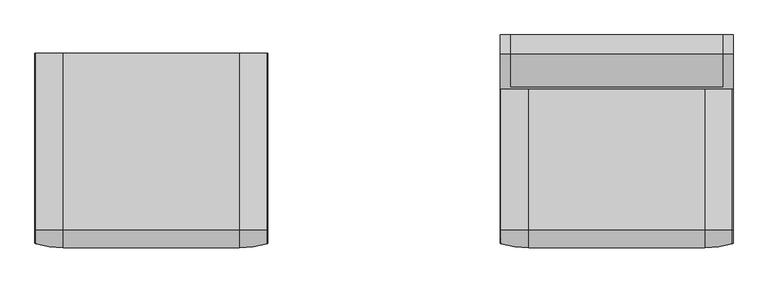
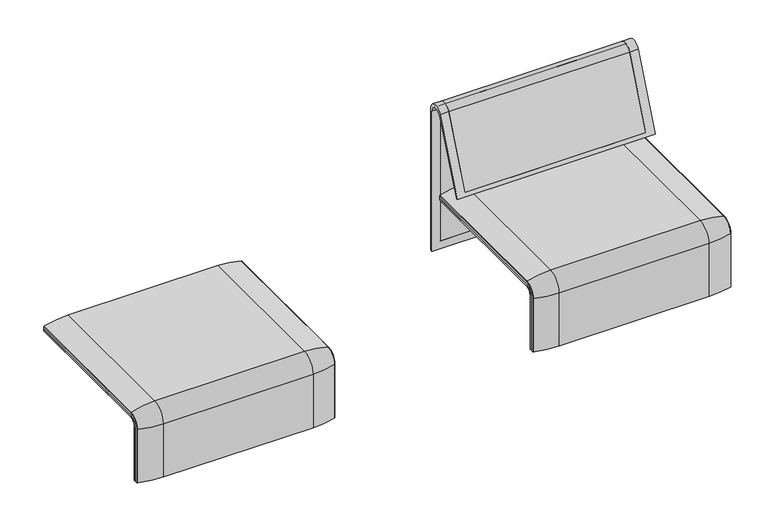
"""IFC4 building model written with IfcOpenShell, lengths in millimetres: furniture geometry."""

from ifc_helpers import new_model, si_unit, point, frame, frame_2d, origin, place, context, project, spatial, polyline, circle_curve, ellipse_curve, trimmed, segment, composite_curve, outline, extrude, source, transform, mapped, element, save
from ifc_brep_helpers import plane_surface, cylinder_surface, revolved_surface, advanced_brep


def furniture_a9e9cf03(model_context):
    return source(origin(), model_context, "Body", "SolidModel", [
        advanced_brep(
        [(-1223.9718733, 295.0, 359.922434), (-1223.9718733, -323.7517936, 359.922434), (-1223.9718733, -351.0, 332.6742277), (-1223.9718733, -351.0, 100.5089435), (-1223.9718733, -357.5, 100.5089435), (-1223.9718733, -357.5, 333.0583003), (-1223.9718733, -324.3858663, 366.172434), (-1223.9718733, 295.0, 366.172434), (-407.9906244, 295.0, 359.922434), (-407.9906244, 295.0, 366.172434), (-407.9906244, -324.3858663, 366.172434), (-407.9906244, -357.5, 333.0583003), (-407.9906244, -357.5, 100.5089435), (-407.9906244, -351.0, 100.5089435), (-407.9906244, -351.0, 332.6742277), (-407.9906244, -323.7517936, 359.922434), (-1189.0718733, -324.3858663, 366.172434), (-1189.0718733, 260.0, 366.172434), (-442.8906244, 260.0, 366.172434), (-442.8906244, -324.3858663, 366.172434), (-1189.0718733, -357.5, 333.0583003), (-442.8906244, -357.5, 333.0583003), (-442.8906244, -357.5, 135.3766997), (-1189.0718733, -357.5, 135.3766997), (-1189.0718733, -351.0, 332.6742277), (-1189.0718733, -351.0, 135.3766997), (-442.8906244, -351.0, 135.3766997), (-442.8906244, -351.0, 332.6742277), (-1189.0718733, -323.7517936, 359.922434), (-442.8906244, -323.7517936, 359.922434), (-442.8906244, 260.0, 359.922434), (-1189.0718733, 260.0, 359.922434)],
        [
            (0, 1),
            (1, 2, circle_curve(frame((-1223.9718733, -323.7517936, 332.6742277), z_axis=(1.0, 0.0, 0.0), x_axis=(0.0, -1.0, 0.0)), 27.2482064)),
            (2, 3),
            (3, 4),
            (4, 5),
            (5, 6, circle_curve(frame((-1223.9718733, -324.3858663, 333.0583003), z_axis=(-1.0, 0.0, 0.0), x_axis=(0.0, -1.0, 0.0)), 33.1141337)),
            (6, 7),
            (7, 0),
            (8, 9),
            (9, 10),
            (10, 11, circle_curve(frame((-407.9906244, -324.3858663, 333.0583003), z_axis=(1.0, 0.0, 0.0), x_axis=(0.0, -1.0, 0.0)), 33.1141337)),
            (11, 12),
            (12, 13),
            (13, 14),
            (14, 15, circle_curve(frame((-407.9906244, -323.7517936, 332.6742277), z_axis=(-1.0, 0.0, 0.0), x_axis=(0.0, -1.0, 0.0)), 27.2482064)),
            (15, 8),
            (7, 9),
            (8, 0),
            (6, 16),
            (16, 17),
            (17, 18),
            (18, 19),
            (19, 10),
            (5, 20),
            (20, 16, circle_curve(frame((-1189.0718733, -324.3858663, 333.0583003), z_axis=(-1.0, 0.0, 0.0), x_axis=(0.0, -1.0, 0.0)), 33.1141337)),
            (19, 21, circle_curve(frame((-442.8906244, -324.3858663, 333.0583003), z_axis=(1.0, 0.0, 0.0), x_axis=(0.0, -1.0, 0.0)), 33.1141337)),
            (21, 11),
            (4, 12),
            (21, 22),
            (22, 23),
            (23, 20),
            (3, 13),
            (2, 24),
            (24, 25),
            (25, 26),
            (26, 27),
            (27, 14),
            (1, 28),
            (28, 24, circle_curve(frame((-1189.0718733, -323.7517936, 332.6742277), z_axis=(1.0, 0.0, 0.0), x_axis=(0.0, -1.0, 0.0)), 27.2482064)),
            (27, 29, circle_curve(frame((-442.8906244, -323.7517936, 332.6742277), z_axis=(-1.0, 0.0, 0.0), x_axis=(0.0, -1.0, 0.0)), 27.2482064)),
            (29, 15),
            (29, 30),
            (30, 31),
            (31, 28),
            (31, 17),
            (23, 25),
            (26, 22),
            (18, 30),
        ],
        [
            plane_surface(frame((-1223.9718733, -296.9265415, 359.922434), z_axis=(-1.0, 0.0, 0.0), x_axis=(0.0, -1.0, 0.0))),
            plane_surface(frame((-407.9906244, -296.9265415, 359.922434), z_axis=(1.0, 0.0, 0.0), x_axis=(0.0, 1.0, 0.0))),
            plane_surface(frame((-1223.9718733, 295.0, 366.172434), z_axis=(0.0, 1.0, 0.0), x_axis=(1.0, 0.0, 0.0))),
            plane_surface(frame((-1223.9718733, -324.3858663, 366.172434), z_axis=(0.0, 0.0, 1.0), x_axis=(1.0, 0.0, 0.0))),
            cylinder_surface(frame((-407.9906244, -324.3858663, 333.0583003), z_axis=(-1.0, 0.0, 0.0), x_axis=(0.0, -1.0, 0.0)), 33.1141337),
            plane_surface(frame((-1223.9718733, -357.5, 100.5089435), z_axis=(0.0, -1.0, 0.0), x_axis=(1.0, 0.0, 0.0))),
            plane_surface(frame((-1223.9718733, -351.0, 100.5089435), z_axis=(0.0, 0.0, -1.0), x_axis=(1.0, 0.0, 0.0))),
            plane_surface(frame((-1223.9718733, -351.0, 332.6742277), z_axis=(0.0, 1.0, 0.0), x_axis=(1.0, 0.0, 0.0))),
            revolved_surface(polyline([(-1189.0718733, -351.0, 332.6742277), (-1223.9718733, -351.0, 332.6742277)]), (-407.9906244, -323.7517936, 332.6742277), (1.0, 0.0, 0.0)),
            revolved_surface(polyline([(-407.9906244, -351.0, 332.6742277), (-442.8906244, -351.0, 332.6742277)]), (-407.9906244, -323.7517936, 332.6742277), (1.0, 0.0, 0.0)),
            plane_surface(frame((-1223.9718733, 295.0, 359.922434), z_axis=(0.0, 0.0, -1.0), x_axis=(1.0, 0.0, 0.0))),
            plane_surface(frame((-1189.0718733, -296.9265415, 359.922434), z_axis=(1.0, 0.0, 0.0), x_axis=(0.0, -1.0, 0.0))),
            plane_surface(frame((-442.8906244, -296.9265415, 359.922434), z_axis=(-1.0, 0.0, 0.0), x_axis=(0.0, 1.0, 0.0))),
            plane_surface(frame((-1189.0718733, 260.0, 366.172434), z_axis=(0.0, -1.0, 0.0), x_axis=(1.0, 0.0, 0.0))),
            plane_surface(frame((-1189.0718733, -351.0, 135.3766997), z_axis=(0.0, 0.0, 1.0), x_axis=(1.0, 0.0, 0.0))),
        ],
        [
            (0, [[1, 2, 3, 4, 5, 6, 7, 8]]),
            (1, [[9, 10, 11, 12, 13, 14, 15, 16]]),
            (2, [[-8, 17, -9, 18]]),
            (3, [[-7, 19, 20, 21, 22, 23, -10, -17]]),
            (4, [[-6, 24, 25, -19]]),
            (4, [[-11, -23, 26, 27]]),
            (5, [[-5, 28, -12, -27, 29, 30, 31, -24]]),
            (6, [[-4, 32, -13, -28]]),
            (7, [[-3, 33, 34, 35, 36, 37, -14, -32]]),
            (8, [[-2, 38, 39, -33]]),
            (9, [[-15, -37, 40, 41]]),
            (10, [[-1, -18, -16, -41, 42, 43, 44, -38]]),
            (11, [[45, -20, -25, -31, 46, -34, -39, -44]]),
            (12, [[47, -29, -26, -22, 48, -42, -40, -36]]),
            (13, [[-45, -43, -48, -21]]),
            (14, [[-46, -30, -47, -35]]),
        ],
    ),
        extrude(outline(composite_curve([segment(polyline([(260.0, 359.922434), (-323.7517936, 359.922434)]), True, "CONTINUOUS"), segment(trimmed(circle_curve(frame_2d((-323.7517936, 332.6742277)), 27.2482064), [point((-323.7517936, 359.922434))], [point((-351.0, 332.6742277))], True, "CARTESIAN"), True, "CONTINUOUS"), segment(polyline([(-351.0, 332.6742277), (-351.0, 135.3766997), (-357.5, 135.3766997), (-357.5, 333.0583003)]), True, "CONTINUOUS"), segment(trimmed(circle_curve(frame_2d((-324.3858663, 333.0583003)), 33.1141337), [point((-357.5, 333.0583003))], [point((-324.3858663, 366.172434))], False, "CARTESIAN"), True, "CONTINUOUS"), segment(polyline([(-324.3858663, 366.172434), (260.0, 366.172434), (260.0, 359.922434)]), True, "CONTINUOUS")], self_intersect=False)), frame((-1189.0718733, 0.0, 0.0), z_axis=(1.0, 0.0, 0.0), x_axis=(0.0, 1.0, 0.0)), (0.0, 0.0, 1.0), 746.1812488),
        advanced_brep(
        [(-1223.9718733, -368.7793679, 100.5089435), (-1223.9718733, -357.5, 100.5089435), (-407.9906244, -357.5, 100.5089435), (-407.9906244, -368.7793679, 100.5089435), (-410.1292529, -371.6530483, 100.5089435), (-507.9906244, -386.0043559, 100.5089435), (-1123.9718733, -386.0043559, 100.5089435), (-1221.8332448, -371.6530483, 100.5089435), (-1223.9718733, 295.0, 377.4518019), (-1221.8332448, 295.0, 380.3254823), (-1123.9718733, 295.0, 394.67679), (-507.9906244, 295.0, 394.67679), (-410.1292529, 295.0, 380.3254823), (-407.9906244, 295.0, 377.4518019), (-407.9906244, 295.0, 366.172434), (-1223.9718733, 295.0, 366.172434), (-1223.9718733, -368.7793679, 333.0583003), (-1223.9718733, -324.3858663, 377.4518019), (-1223.9718733, -324.3858663, 366.172434), (-1223.9718733, -357.5, 333.0583003), (-407.9906244, -357.5, 333.0583003), (-507.9906244, -386.0043559, 333.0583003), (-1123.9718733, -386.0043559, 333.0583003), (-1221.8332448, -371.6530483, 333.0583003), (-407.9906244, -324.3858663, 366.172434), (-1123.9718733, -324.3858663, 394.67679), (-507.9906244, -324.3858663, 394.67679), (-1221.8332448, -324.3858663, 380.3254823), (-407.9906244, -324.3858663, 377.4518019), (-407.9906244, -368.7793679, 333.0583003), (-410.1292529, -371.6530483, 333.0583003), (-410.1292529, -324.3858663, 380.3254823)],
        [
            (0, 1),
            (1, 2),
            (2, 3),
            (3, 4, circle_curve(frame((-410.9906244, -368.7793679, 100.5089435), z_axis=(0.0, 0.0, -1.0), x_axis=(-1.0, 0.0, 0.0)), 3.0)),
            (4, 5, circle_curve(frame((-507.9906244, -45.1710226, 100.5089435), z_axis=(0.0, 0.0, -1.0), x_axis=(0.0, 1.0, 0.0)), 340.8333333)),
            (5, 6),
            (6, 7, circle_curve(frame((-1123.9718733, -45.1710226, 100.5089435), z_axis=(0.0, 0.0, -1.0), x_axis=(0.0, 1.0, 0.0)), 340.8333333)),
            (7, 0, circle_curve(frame((-1220.9718733, -368.7793679, 100.5089435), z_axis=(0.0, 0.0, -1.0), x_axis=(1.0, 0.0, 0.0)), 3.0)),
            (8, 9, circle_curve(frame((-1220.9718733, 295.0, 377.4518019), z_axis=(0.0, 1.0, 0.0), x_axis=(1.0, 0.0, 0.0)), 3.0)),
            (9, 10, circle_curve(frame((-1123.9718733, 295.0, 53.8434566), z_axis=(0.0, 1.0, 0.0), x_axis=(0.0, 0.0, -1.0)), 340.8333333)),
            (10, 11),
            (11, 12, circle_curve(frame((-507.9906244, 295.0, 53.8434566), z_axis=(0.0, 1.0, 0.0), x_axis=(0.0, 0.0, -1.0)), 340.8333333)),
            (12, 13, circle_curve(frame((-410.9906244, 295.0, 377.4518019), z_axis=(0.0, 1.0, 0.0), x_axis=(-1.0, 0.0, 0.0)), 3.0)),
            (13, 14),
            (14, 15),
            (15, 8),
            (0, 16),
            (16, 17, circle_curve(frame((-1223.9718733, -324.3858663, 333.0583003), z_axis=(-1.0, 0.0, 0.0), x_axis=(0.0, -1.0, 0.0)), 44.3935016)),
            (17, 8),
            (15, 18),
            (18, 19, circle_curve(frame((-1223.9718733, -324.3858663, 333.0583003), z_axis=(1.0, 0.0, 0.0), x_axis=(0.0, -1.0, 0.0)), 33.1141337)),
            (19, 1),
            (19, 20),
            (20, 2),
            (5, 21),
            (21, 22),
            (22, 6),
            (22, 23, circle_curve(frame((-1123.9718733, -45.1710226, 333.0583003), z_axis=(0.0, 0.0, -1.0), x_axis=(0.0, 1.0, 0.0)), 340.8333333)),
            (23, 7),
            (23, 16, circle_curve(frame((-1220.9718733, -368.7793679, 333.0583003), z_axis=(0.0, 0.0, -1.0), x_axis=(1.0, 0.0, 0.0)), 3.0)),
            (24, 20, circle_curve(frame((-407.9906244, -324.3858663, 333.0583003), z_axis=(1.0, 0.0, 0.0), x_axis=(0.0, -1.0, 0.0)), 33.1141337)),
            (18, 24),
            (25, 22, circle_curve(frame((-1123.9718733, -324.3858663, 333.0583003), z_axis=(1.0, 0.0, 0.0), x_axis=(0.0, -1.0, 0.0)), 61.6184897)),
            (21, 26, circle_curve(frame((-507.9906244, -324.3858663, 333.0583003), z_axis=(-1.0, 0.0, 0.0), x_axis=(0.0, -1.0, 0.0)), 61.6184897)),
            (26, 25),
            (27, 23, circle_curve(frame((-1221.8332448, -324.3858663, 333.0583003), z_axis=(1.0, 0.0, 0.0), x_axis=(0.0, -1.0, 0.0)), 47.267182)),
            (25, 27, circle_curve(frame((-1123.9718733, -324.3858663, 53.8434566), z_axis=(0.0, -1.0, 0.0), x_axis=(0.0, 0.0, -1.0)), 340.8333333)),
            (27, 17, circle_curve(frame((-1220.9718733, -324.3858663, 377.4518019), z_axis=(0.0, -1.0, 0.0), x_axis=(1.0, 0.0, 0.0)), 3.0)),
            (14, 24),
            (26, 11),
            (10, 25),
            (9, 27),
            (13, 28),
            (28, 29, circle_curve(frame((-407.9906244, -324.3858663, 333.0583003), z_axis=(1.0, 0.0, 0.0), x_axis=(0.0, -1.0, 0.0)), 44.3935016)),
            (29, 3),
            (29, 30, circle_curve(frame((-410.9906244, -368.7793679, 333.0583003), z_axis=(0.0, 0.0, -1.0), x_axis=(-1.0, 0.0, 0.0)), 3.0)),
            (30, 4),
            (30, 21, circle_curve(frame((-507.9906244, -45.1710226, 333.0583003), z_axis=(0.0, 0.0, -1.0), x_axis=(0.0, 1.0, 0.0)), 340.8333333)),
            (31, 30, circle_curve(frame((-410.1292529, -324.3858663, 333.0583003), z_axis=(1.0, 0.0, 0.0), x_axis=(0.0, -1.0, 0.0)), 47.267182)),
            (28, 31, circle_curve(frame((-410.9906244, -324.3858663, 377.4518019), z_axis=(0.0, -1.0, 0.0), x_axis=(-1.0, 0.0, 0.0)), 3.0)),
            (31, 26, circle_curve(frame((-507.9906244, -324.3858663, 53.8434566), z_axis=(0.0, -1.0, 0.0), x_axis=(0.0, 0.0, -1.0)), 340.8333333)),
            (12, 31),
        ],
        [
            plane_surface(frame((-1223.9718733, -357.5, 100.5089435), z_axis=(0.0, 0.0, -1.0), x_axis=(1.0, 0.0, 0.0))),
            plane_surface(frame((-1223.9718733, 295.0, 366.172434), z_axis=(0.0, 1.0, 0.0), x_axis=(1.0, 0.0, 0.0))),
            plane_surface(frame((-1223.9718733, -368.7793679, 100.5089435), z_axis=(-1.0, 0.0, 0.0), x_axis=(0.0, 0.0, 1.0))),
            plane_surface(frame((-1223.9718733, -357.5, 100.5089435), z_axis=(0.0, 1.0, 0.0), x_axis=(0.0, 0.0, 1.0))),
            plane_surface(frame((-507.9906244, -386.0043559, 100.5089435), z_axis=(0.0, -1.0, 0.0), x_axis=(0.0, 0.0, 1.0))),
            cylinder_surface(frame((-1123.9718733, -45.1710226, 100.5089435), z_axis=(0.0, 0.0, -1.0), x_axis=(0.0, 1.0, 0.0)), 340.8333333),
            cylinder_surface(frame((-1220.9718733, -368.7793679, 100.5089435), z_axis=(0.0, 0.0, -1.0), x_axis=(1.0, 0.0, 0.0)), 3.0),
            revolved_surface(polyline([(-1223.9718733, -357.5, 333.0583003), (-407.9906244, -357.5, 333.0583003)]), (-1223.9718733, -324.3858663, 333.0583003), (-1.0, 0.0, 0.0)),
            cylinder_surface(frame((-1223.9718733, -324.3858663, 333.0583003), z_axis=(-1.0, 0.0, 0.0), x_axis=(0.0, -1.0, 0.0)), 61.6184897),
            revolved_surface(trimmed(ellipse_curve(frame((-1123.9718733, -45.1710226, 333.0583003), z_axis=(0.0, 0.0, -1.0), x_axis=(0.0, 1.0, 0.0)), 340.8333333, 340.8333333), [point((-1123.9718733, -386.0043559, 333.0583003))], [point((-1221.8332448, -371.6530483, 333.0583003))], True, "CARTESIAN"), (-1223.9718733, -324.3858663, 333.0583003), (-1.0, 0.0, 0.0)),
            revolved_surface(trimmed(ellipse_curve(frame((-1220.9718733, -368.7793679, 333.0583003), z_axis=(0.0, 0.0, -1.0), x_axis=(1.0, 0.0, 0.0)), 3.0, 3.0), [point((-1221.8332448, -371.6530483, 333.0583003))], [point((-1223.9718733, -368.7793679, 333.0583003))], True, "CARTESIAN"), (-1223.9718733, -324.3858663, 333.0583003), (-1.0, 0.0, 0.0)),
            plane_surface(frame((-1223.9718733, -324.3858663, 366.172434), z_axis=(0.0, 0.0, -1.0), x_axis=(0.0, 1.0, 0.0))),
            plane_surface(frame((-507.9906244, -324.3858663, 394.67679), z_axis=(0.0, 0.0, 1.0), x_axis=(0.0, 1.0, 0.0))),
            cylinder_surface(frame((-1123.9718733, -324.3858663, 53.8434566), z_axis=(0.0, -1.0, 0.0), x_axis=(0.0, 0.0, -1.0)), 340.8333333),
            cylinder_surface(frame((-1220.9718733, -324.3858663, 377.4518019), z_axis=(0.0, -1.0, 0.0), x_axis=(1.0, 0.0, 0.0)), 3.0),
            plane_surface(frame((-407.9906244, -357.5, 100.5089435), z_axis=(1.0, 0.0, 0.0), x_axis=(0.0, 0.0, 1.0))),
            cylinder_surface(frame((-410.9906244, -368.7793679, 100.5089435), z_axis=(0.0, 0.0, -1.0), x_axis=(-1.0, 0.0, 0.0)), 3.0),
            cylinder_surface(frame((-507.9906244, -45.1710226, 100.5089435), z_axis=(0.0, 0.0, -1.0), x_axis=(0.0, 1.0, 0.0)), 340.8333333),
            revolved_surface(trimmed(ellipse_curve(frame((-410.9906244, -368.7793679, 333.0583003), z_axis=(0.0, 0.0, -1.0), x_axis=(-1.0, 0.0, 0.0)), 3.0, 3.0), [point((-407.9906244, -368.7793679, 333.0583003))], [point((-410.1292529, -371.6530483, 333.0583003))], True, "CARTESIAN"), (-1223.9718733, -324.3858663, 333.0583003), (-1.0, 0.0, 0.0)),
            revolved_surface(trimmed(ellipse_curve(frame((-507.9906244, -45.1710226, 333.0583003), z_axis=(0.0, 0.0, -1.0), x_axis=(0.0, 1.0, 0.0)), 340.8333333, 340.8333333), [point((-410.1292529, -371.6530483, 333.0583003))], [point((-507.9906244, -386.0043559, 333.0583003))], True, "CARTESIAN"), (-1223.9718733, -324.3858663, 333.0583003), (-1.0, 0.0, 0.0)),
            cylinder_surface(frame((-410.9906244, -324.3858663, 377.4518019), z_axis=(0.0, -1.0, 0.0), x_axis=(-1.0, 0.0, 0.0)), 3.0),
            cylinder_surface(frame((-507.9906244, -324.3858663, 53.8434566), z_axis=(0.0, -1.0, 0.0), x_axis=(0.0, 0.0, -1.0)), 340.8333333),
        ],
        [
            (0, [[1, 2, 3, 4, 5, 6, 7, 8]]),
            (1, [[9, 10, 11, 12, 13, 14, 15, 16]]),
            (2, [[-1, 17, 18, 19, -16, 20, 21, 22]]),
            (3, [[-2, -22, 23, 24]]),
            (4, [[-6, 25, 26, 27]]),
            (5, [[-7, -27, 28, 29]]),
            (6, [[-8, -29, 30, -17]]),
            (7, [[31, -23, -21, 32]]),
            (8, [[33, -26, 34, 35]]),
            (9, [[36, -28, -33, 37]]),
            (10, [[-18, -30, -36, 38]]),
            (11, [[-32, -20, -15, 39]]),
            (12, [[-35, 40, -11, 41]]),
            (13, [[-37, -41, -10, 42]]),
            (14, [[-38, -42, -9, -19]]),
            (15, [[-3, -24, -31, -39, -14, 43, 44, 45]]),
            (16, [[-4, -45, 46, 47]]),
            (17, [[-5, -47, 48, -25]]),
            (18, [[49, -46, -44, 50]]),
            (19, [[-34, -48, -49, 51]]),
            (20, [[-50, -43, -13, 52]]),
            (21, [[-51, -52, -12, -40]]),
        ],
    ),
        advanced_brep(
        [(407.9906244, 295.0, 359.922434), (407.9906244, -323.7517936, 359.922434), (407.9906244, -351.0, 332.6742277), (407.9906244, -351.0, 100.5089435), (407.9906244, -357.5, 100.5089435), (407.9906244, -357.5, 333.0583003), (407.9906244, -324.3858663, 366.172434), (407.9906244, 295.0, 366.172434), (1223.9718733, 295.0, 359.922434), (1223.9718733, 295.0, 366.172434), (1223.9718733, -324.3858663, 366.172434), (1223.9718733, -357.5, 333.0583003), (1223.9718733, -357.5, 100.5089435), (1223.9718733, -351.0, 100.5089435), (1223.9718733, -351.0, 332.6742277), (1223.9718733, -323.7517936, 359.922434), (442.8906244, -324.3858663, 366.172434), (442.8906244, 260.0, 366.172434), (1189.0718733, 260.0, 366.172434), (1189.0718733, -324.3858663, 366.172434), (442.8906244, -357.5, 333.0583003), (1189.0718733, -357.5, 333.0583003), (1189.0718733, -357.5, 135.3766997), (442.8906244, -357.5, 135.3766997), (442.8906244, -351.0, 332.6742277), (442.8906244, -351.0, 135.3766997), (1189.0718733, -351.0, 135.3766997), (1189.0718733, -351.0, 332.6742277), (442.8906244, -323.7517936, 359.922434), (1189.0718733, -323.7517936, 359.922434), (1189.0718733, 260.0, 359.922434), (442.8906244, 260.0, 359.922434)],
        [
            (0, 1),
            (1, 2, circle_curve(frame((407.9906244, -323.7517936, 332.6742277), z_axis=(1.0, 0.0, 0.0), x_axis=(0.0, -1.0, 0.0)), 27.2482064)),
            (2, 3),
            (3, 4),
            (4, 5),
            (5, 6, circle_curve(frame((407.9906244, -324.3858663, 333.0583003), z_axis=(-1.0, 0.0, 0.0), x_axis=(0.0, -1.0, 0.0)), 33.1141337)),
            (6, 7),
            (7, 0),
            (8, 9),
            (9, 10),
            (10, 11, circle_curve(frame((1223.9718733, -324.3858663, 333.0583003), z_axis=(1.0, 0.0, 0.0), x_axis=(0.0, -1.0, 0.0)), 33.1141337)),
            (11, 12),
            (12, 13),
            (13, 14),
            (14, 15, circle_curve(frame((1223.9718733, -323.7517936, 332.6742277), z_axis=(-1.0, 0.0, 0.0), x_axis=(0.0, -1.0, 0.0)), 27.2482064)),
            (15, 8),
            (7, 9),
            (8, 0),
            (6, 16),
            (16, 17),
            (17, 18),
            (18, 19),
            (19, 10),
            (5, 20),
            (20, 16, circle_curve(frame((442.8906244, -324.3858663, 333.0583003), z_axis=(-1.0, 0.0, 0.0), x_axis=(0.0, -1.0, 0.0)), 33.1141337)),
            (19, 21, circle_curve(frame((1189.0718733, -324.3858663, 333.0583003), z_axis=(1.0, 0.0, 0.0), x_axis=(0.0, -1.0, 0.0)), 33.1141337)),
            (21, 11),
            (4, 12),
            (21, 22),
            (22, 23),
            (23, 20),
            (3, 13),
            (2, 24),
            (24, 25),
            (25, 26),
            (26, 27),
            (27, 14),
            (1, 28),
            (28, 24, circle_curve(frame((442.8906244, -323.7517936, 332.6742277), z_axis=(1.0, 0.0, 0.0), x_axis=(0.0, -1.0, 0.0)), 27.2482064)),
            (27, 29, circle_curve(frame((1189.0718733, -323.7517936, 332.6742277), z_axis=(-1.0, 0.0, 0.0), x_axis=(0.0, -1.0, 0.0)), 27.2482064)),
            (29, 15),
            (29, 30),
            (30, 31),
            (31, 28),
            (31, 17),
            (23, 25),
            (26, 22),
            (18, 30),
        ],
        [
            plane_surface(frame((407.9906244, -296.9265415, 359.922434), z_axis=(-1.0, 0.0, 0.0), x_axis=(0.0, -1.0, 0.0))),
            plane_surface(frame((1223.9718733, -296.9265415, 359.922434), z_axis=(1.0, 0.0, 0.0), x_axis=(0.0, 1.0, 0.0))),
            plane_surface(frame((407.9906244, 295.0, 366.172434), z_axis=(0.0, 1.0, 0.0), x_axis=(1.0, 0.0, 0.0))),
            plane_surface(frame((407.9906244, -324.3858663, 366.172434), z_axis=(0.0, 0.0, 1.0), x_axis=(1.0, 0.0, 0.0))),
            cylinder_surface(frame((1223.9718733, -324.3858663, 333.0583003), z_axis=(-1.0, 0.0, 0.0), x_axis=(0.0, -1.0, 0.0)), 33.1141337),
            plane_surface(frame((407.9906244, -357.5, 100.5089435), z_axis=(0.0, -1.0, 0.0), x_axis=(1.0, 0.0, 0.0))),
            plane_surface(frame((407.9906244, -351.0, 100.5089435), z_axis=(0.0, 0.0, -1.0), x_axis=(1.0, 0.0, 0.0))),
            plane_surface(frame((407.9906244, -351.0, 332.6742277), z_axis=(0.0, 1.0, 0.0), x_axis=(1.0, 0.0, 0.0))),
            revolved_surface(polyline([(442.8906244, -351.0, 332.6742277), (407.9906244, -351.0, 332.6742277)]), (1223.9718733, -323.7517936, 332.6742277), (1.0, 0.0, 0.0)),
            revolved_surface(polyline([(1223.9718733, -351.0, 332.6742277), (1189.0718733, -351.0, 332.6742277)]), (1223.9718733, -323.7517936, 332.6742277), (1.0, 0.0, 0.0)),
            plane_surface(frame((407.9906244, 295.0, 359.922434), z_axis=(0.0, 0.0, -1.0), x_axis=(1.0, 0.0, 0.0))),
            plane_surface(frame((442.8906244, -296.9265415, 359.922434), z_axis=(1.0, 0.0, 0.0), x_axis=(0.0, -1.0, 0.0))),
            plane_surface(frame((1189.0718733, -296.9265415, 359.922434), z_axis=(-1.0, 0.0, 0.0), x_axis=(0.0, 1.0, 0.0))),
            plane_surface(frame((442.8906244, 260.0, 366.172434), z_axis=(0.0, -1.0, 0.0), x_axis=(1.0, 0.0, 0.0))),
            plane_surface(frame((442.8906244, -351.0, 135.3766997), z_axis=(0.0, 0.0, 1.0), x_axis=(1.0, 0.0, 0.0))),
        ],
        [
            (0, [[1, 2, 3, 4, 5, 6, 7, 8]]),
            (1, [[9, 10, 11, 12, 13, 14, 15, 16]]),
            (2, [[-8, 17, -9, 18]]),
            (3, [[-7, 19, 20, 21, 22, 23, -10, -17]]),
            (4, [[-6, 24, 25, -19]]),
            (4, [[-11, -23, 26, 27]]),
            (5, [[-5, 28, -12, -27, 29, 30, 31, -24]]),
            (6, [[-4, 32, -13, -28]]),
            (7, [[-3, 33, 34, 35, 36, 37, -14, -32]]),
            (8, [[-2, 38, 39, -33]]),
            (9, [[-15, -37, 40, 41]]),
            (10, [[-1, -18, -16, -41, 42, 43, 44, -38]]),
            (11, [[45, -20, -25, -31, 46, -34, -39, -44]]),
            (12, [[47, -29, -26, -22, 48, -42, -40, -36]]),
            (13, [[-45, -43, -48, -21]]),
            (14, [[-46, -30, -47, -35]]),
        ],
    ),
        extrude(outline(composite_curve([segment(polyline([(260.0, 359.922434), (-323.7517936, 359.922434)]), True, "CONTINUOUS"), segment(trimmed(circle_curve(frame_2d((-323.7517936, 332.6742277)), 27.2482064), [point((-323.7517936, 359.922434))], [point((-351.0, 332.6742277))], True, "CARTESIAN"), True, "CONTINUOUS"), segment(polyline([(-351.0, 332.6742277), (-351.0, 135.3766997), (-357.5, 135.3766997), (-357.5, 333.0583003)]), True, "CONTINUOUS"), segment(trimmed(circle_curve(frame_2d((-324.3858663, 333.0583003)), 33.1141337), [point((-357.5, 333.0583003))], [point((-324.3858663, 366.172434))], False, "CARTESIAN"), True, "CONTINUOUS"), segment(polyline([(-324.3858663, 366.172434), (260.0, 366.172434), (260.0, 359.922434)]), True, "CONTINUOUS")], self_intersect=False)), frame((442.8906244, 0.0, 0.0), z_axis=(1.0, 0.0, 0.0), x_axis=(0.0, 1.0, 0.0)), (0.0, 0.0, 1.0), 746.1812488),
        advanced_brep(
        [(407.9906244, -368.7793679, 100.5089435), (407.9906244, -357.5, 100.5089435), (1223.9718733, -357.5, 100.5089435), (1223.9718733, -368.7793679, 100.5089435), (1221.8332448, -371.6530483, 100.5089435), (1123.9718733, -386.0043559, 100.5089435), (507.9906244, -386.0043559, 100.5089435), (410.1292529, -371.6530483, 100.5089435), (407.9906244, 295.0, 377.4518019), (410.1292529, 295.0, 380.3254823), (507.9906244, 295.0, 394.67679), (1123.9718733, 295.0, 394.67679), (1221.8332448, 295.0, 380.3254823), (1223.9718733, 295.0, 377.4518019), (1223.9718733, 295.0, 366.172434), (407.9906244, 295.0, 366.172434), (407.9906244, -368.7793679, 333.0583003), (407.9906244, -324.3858663, 377.4518019), (407.9906244, -324.3858663, 366.172434), (407.9906244, -357.5, 333.0583003), (1223.9718733, -357.5, 333.0583003), (1123.9718733, -386.0043559, 333.0583003), (507.9906244, -386.0043559, 333.0583003), (410.1292529, -371.6530483, 333.0583003), (1223.9718733, -324.3858663, 366.172434), (507.9906244, -324.3858663, 394.67679), (1123.9718733, -324.3858663, 394.67679), (410.1292529, -324.3858663, 380.3254823), (1223.9718733, -324.3858663, 377.4518019), (1223.9718733, -368.7793679, 333.0583003), (1221.8332448, -371.6530483, 333.0583003), (1221.8332448, -324.3858663, 380.3254823)],
        [
            (0, 1),
            (1, 2),
            (2, 3),
            (3, 4, circle_curve(frame((1220.9718733, -368.7793679, 100.5089435), z_axis=(0.0, 0.0, -1.0), x_axis=(-1.0, 0.0, 0.0)), 3.0)),
            (4, 5, circle_curve(frame((1123.9718733, -45.1710226, 100.5089435), z_axis=(0.0, 0.0, -1.0), x_axis=(0.0, 1.0, 0.0)), 340.8333333)),
            (5, 6),
            (6, 7, circle_curve(frame((507.9906244, -45.1710226, 100.5089435), z_axis=(0.0, 0.0, -1.0), x_axis=(0.0, 1.0, 0.0)), 340.8333333)),
            (7, 0, circle_curve(frame((410.9906244, -368.7793679, 100.5089435), z_axis=(0.0, 0.0, -1.0), x_axis=(1.0, 0.0, 0.0)), 3.0)),
            (8, 9, circle_curve(frame((410.9906244, 295.0, 377.4518019), z_axis=(0.0, 1.0, 0.0), x_axis=(1.0, 0.0, 0.0)), 3.0)),
            (9, 10, circle_curve(frame((507.9906244, 295.0, 53.8434566), z_axis=(0.0, 1.0, 0.0), x_axis=(0.0, 0.0, -1.0)), 340.8333333)),
            (10, 11),
            (11, 12, circle_curve(frame((1123.9718733, 295.0, 53.8434566), z_axis=(0.0, 1.0, 0.0), x_axis=(0.0, 0.0, -1.0)), 340.8333333)),
            (12, 13, circle_curve(frame((1220.9718733, 295.0, 377.4518019), z_axis=(0.0, 1.0, 0.0), x_axis=(-1.0, 0.0, 0.0)), 3.0)),
            (13, 14),
            (14, 15),
            (15, 8),
            (0, 16),
            (16, 17, circle_curve(frame((407.9906244, -324.3858663, 333.0583003), z_axis=(-1.0, 0.0, 0.0), x_axis=(0.0, -1.0, 0.0)), 44.3935016)),
            (17, 8),
            (15, 18),
            (18, 19, circle_curve(frame((407.9906244, -324.3858663, 333.0583003), z_axis=(1.0, 0.0, 0.0), x_axis=(0.0, -1.0, 0.0)), 33.1141337)),
            (19, 1),
            (19, 20),
            (20, 2),
            (5, 21),
            (21, 22),
            (22, 6),
            (22, 23, circle_curve(frame((507.9906244, -45.1710226, 333.0583003), z_axis=(0.0, 0.0, -1.0), x_axis=(0.0, 1.0, 0.0)), 340.8333333)),
            (23, 7),
            (23, 16, circle_curve(frame((410.9906244, -368.7793679, 333.0583003), z_axis=(0.0, 0.0, -1.0), x_axis=(1.0, 0.0, 0.0)), 3.0)),
            (24, 20, circle_curve(frame((1223.9718733, -324.3858663, 333.0583003), z_axis=(1.0, 0.0, 0.0), x_axis=(0.0, -1.0, 0.0)), 33.1141337)),
            (18, 24),
            (25, 22, circle_curve(frame((507.9906244, -324.3858663, 333.0583003), z_axis=(1.0, 0.0, 0.0), x_axis=(0.0, -1.0, 0.0)), 61.6184897)),
            (21, 26, circle_curve(frame((1123.9718733, -324.3858663, 333.0583003), z_axis=(-1.0, 0.0, 0.0), x_axis=(0.0, -1.0, 0.0)), 61.6184897)),
            (26, 25),
            (27, 23, circle_curve(frame((410.1292529, -324.3858663, 333.0583003), z_axis=(1.0, 0.0, 0.0), x_axis=(0.0, -1.0, 0.0)), 47.267182)),
            (25, 27, circle_curve(frame((507.9906244, -324.3858663, 53.8434566), z_axis=(0.0, -1.0, 0.0), x_axis=(0.0, 0.0, -1.0)), 340.8333333)),
            (27, 17, circle_curve(frame((410.9906244, -324.3858663, 377.4518019), z_axis=(0.0, -1.0, 0.0), x_axis=(1.0, 0.0, 0.0)), 3.0)),
            (14, 24),
            (26, 11),
            (10, 25),
            (9, 27),
            (13, 28),
            (28, 29, circle_curve(frame((1223.9718733, -324.3858663, 333.0583003), z_axis=(1.0, 0.0, 0.0), x_axis=(0.0, -1.0, 0.0)), 44.3935016)),
            (29, 3),
            (29, 30, circle_curve(frame((1220.9718733, -368.7793679, 333.0583003), z_axis=(0.0, 0.0, -1.0), x_axis=(-1.0, 0.0, 0.0)), 3.0)),
            (30, 4),
            (30, 21, circle_curve(frame((1123.9718733, -45.1710226, 333.0583003), z_axis=(0.0, 0.0, -1.0), x_axis=(0.0, 1.0, 0.0)), 340.8333333)),
            (31, 30, circle_curve(frame((1221.8332448, -324.3858663, 333.0583003), z_axis=(1.0, 0.0, 0.0), x_axis=(0.0, -1.0, 0.0)), 47.267182)),
            (28, 31, circle_curve(frame((1220.9718733, -324.3858663, 377.4518019), z_axis=(0.0, -1.0, 0.0), x_axis=(-1.0, 0.0, 0.0)), 3.0)),
            (31, 26, circle_curve(frame((1123.9718733, -324.3858663, 53.8434566), z_axis=(0.0, -1.0, 0.0), x_axis=(0.0, 0.0, -1.0)), 340.8333333)),
            (12, 31),
        ],
        [
            plane_surface(frame((407.9906244, -357.5, 100.5089435), z_axis=(0.0, 0.0, -1.0), x_axis=(1.0, 0.0, 0.0))),
            plane_surface(frame((407.9906244, 295.0, 366.172434), z_axis=(0.0, 1.0, 0.0), x_axis=(1.0, 0.0, 0.0))),
            plane_surface(frame((407.9906244, -368.7793679, 100.5089435), z_axis=(-1.0, 0.0, 0.0), x_axis=(0.0, 0.0, 1.0))),
            plane_surface(frame((407.9906244, -357.5, 100.5089435), z_axis=(0.0, 1.0, 0.0), x_axis=(0.0, 0.0, 1.0))),
            plane_surface(frame((1123.9718733, -386.0043559, 100.5089435), z_axis=(0.0, -1.0, 0.0), x_axis=(0.0, 0.0, 1.0))),
            cylinder_surface(frame((507.9906244, -45.1710226, 100.5089435), z_axis=(0.0, 0.0, -1.0), x_axis=(0.0, 1.0, 0.0)), 340.8333333),
            cylinder_surface(frame((410.9906244, -368.7793679, 100.5089435), z_axis=(0.0, 0.0, -1.0), x_axis=(1.0, 0.0, 0.0)), 3.0),
            revolved_surface(polyline([(407.9906244, -357.5, 333.0583003), (1223.9718733, -357.5, 333.0583003)]), (407.9906244, -324.3858663, 333.0583003), (-1.0, 0.0, 0.0)),
            cylinder_surface(frame((407.9906244, -324.3858663, 333.0583003), z_axis=(-1.0, 0.0, 0.0), x_axis=(0.0, -1.0, 0.0)), 61.6184897),
            revolved_surface(trimmed(ellipse_curve(frame((507.9906244, -45.1710226, 333.0583003), z_axis=(0.0, 0.0, -1.0), x_axis=(0.0, 1.0, 0.0)), 340.8333333, 340.8333333), [point((507.9906244, -386.0043559, 333.0583003))], [point((410.1292529, -371.6530483, 333.0583003))], True, "CARTESIAN"), (407.9906244, -324.3858663, 333.0583003), (-1.0, 0.0, 0.0)),
            revolved_surface(trimmed(ellipse_curve(frame((410.9906244, -368.7793679, 333.0583003), z_axis=(0.0, 0.0, -1.0), x_axis=(1.0, 0.0, 0.0)), 3.0, 3.0), [point((410.1292529, -371.6530483, 333.0583003))], [point((407.9906244, -368.7793679, 333.0583003))], True, "CARTESIAN"), (407.9906244, -324.3858663, 333.0583003), (-1.0, 0.0, 0.0)),
            plane_surface(frame((407.9906244, -324.3858663, 366.172434), z_axis=(0.0, 0.0, -1.0), x_axis=(0.0, 1.0, 0.0))),
            plane_surface(frame((1123.9718733, -324.3858663, 394.67679), z_axis=(0.0, 0.0, 1.0), x_axis=(0.0, 1.0, 0.0))),
            cylinder_surface(frame((507.9906244, -324.3858663, 53.8434566), z_axis=(0.0, -1.0, 0.0), x_axis=(0.0, 0.0, -1.0)), 340.8333333),
            cylinder_surface(frame((410.9906244, -324.3858663, 377.4518019), z_axis=(0.0, -1.0, 0.0), x_axis=(1.0, 0.0, 0.0)), 3.0),
            plane_surface(frame((1223.9718733, -357.5, 100.5089435), z_axis=(1.0, 0.0, 0.0), x_axis=(0.0, 0.0, 1.0))),
            cylinder_surface(frame((1220.9718733, -368.7793679, 100.5089435), z_axis=(0.0, 0.0, -1.0), x_axis=(-1.0, 0.0, 0.0)), 3.0),
            cylinder_surface(frame((1123.9718733, -45.1710226, 100.5089435), z_axis=(0.0, 0.0, -1.0), x_axis=(0.0, 1.0, 0.0)), 340.8333333),
            revolved_surface(trimmed(ellipse_curve(frame((1220.9718733, -368.7793679, 333.0583003), z_axis=(0.0, 0.0, -1.0), x_axis=(-1.0, 0.0, 0.0)), 3.0, 3.0), [point((1223.9718733, -368.7793679, 333.0583003))], [point((1221.8332448, -371.6530483, 333.0583003))], True, "CARTESIAN"), (407.9906244, -324.3858663, 333.0583003), (-1.0, 0.0, 0.0)),
            revolved_surface(trimmed(ellipse_curve(frame((1123.9718733, -45.1710226, 333.0583003), z_axis=(0.0, 0.0, -1.0), x_axis=(0.0, 1.0, 0.0)), 340.8333333, 340.8333333), [point((1221.8332448, -371.6530483, 333.0583003))], [point((1123.9718733, -386.0043559, 333.0583003))], True, "CARTESIAN"), (407.9906244, -324.3858663, 333.0583003), (-1.0, 0.0, 0.0)),
            cylinder_surface(frame((1220.9718733, -324.3858663, 377.4518019), z_axis=(0.0, -1.0, 0.0), x_axis=(-1.0, 0.0, 0.0)), 3.0),
            cylinder_surface(frame((1123.9718733, -324.3858663, 53.8434566), z_axis=(0.0, -1.0, 0.0), x_axis=(0.0, 0.0, -1.0)), 340.8333333),
        ],
        [
            (0, [[1, 2, 3, 4, 5, 6, 7, 8]]),
            (1, [[9, 10, 11, 12, 13, 14, 15, 16]]),
            (2, [[-1, 17, 18, 19, -16, 20, 21, 22]]),
            (3, [[-2, -22, 23, 24]]),
            (4, [[-6, 25, 26, 27]]),
            (5, [[-7, -27, 28, 29]]),
            (6, [[-8, -29, 30, -17]]),
            (7, [[31, -23, -21, 32]]),
            (8, [[33, -26, 34, 35]]),
            (9, [[36, -28, -33, 37]]),
            (10, [[-18, -30, -36, 38]]),
            (11, [[-32, -20, -15, 39]]),
            (12, [[-35, 40, -11, 41]]),
            (13, [[-37, -41, -10, 42]]),
            (14, [[-38, -42, -9, -19]]),
            (15, [[-3, -24, -31, -39, -14, 43, 44, 45]]),
            (16, [[-4, -45, 46, 47]]),
            (17, [[-5, -47, 48, -25]]),
            (18, [[49, -46, -44, 50]]),
            (19, [[-34, -48, -49, 51]]),
            (20, [[-50, -43, -13, 52]]),
            (21, [[-51, -52, -12, -40]]),
        ],
    ),
        advanced_brep(
        [(1189.1049615, 176.0980387, 452.25948), (1189.1049615, 181.0136548, 450.2250668), (442.9237127, 181.0136548, 450.2250668), (442.9237127, 176.0980387, 452.25948), (1224.0215056, 351.0000061, 101.8476716), (1224.0215056, 351.0000061, 712.9272623), (1189.1049615, 351.0000061, 712.9272623), (1189.1049615, 351.0000061, 135.3766997), (442.9237127, 351.0000061, 135.3766997), (442.9237127, 351.0000061, 712.9272623), (408.0402568, 351.0000061, 712.9272623), (408.0402568, 351.0000061, 101.8476716), (1224.0215056, 359.7858817, 101.8476716), (1224.0215056, 359.7858817, 720.3417731), (1224.0215056, 292.4403877, 733.7122262), (1224.0215056, 170.1966807, 437.98305), (1224.0215056, 175.0204081, 435.9866665), (1224.0215056, 296.2458652, 723.9869215), (408.0402568, 296.2720241, 723.9759107), (408.0402568, 175.0204081, 435.9866665), (408.0402568, 170.1966807, 437.98305), (408.0402568, 292.4403877, 733.7122262), (408.0402568, 359.7858817, 720.3417731), (408.0402568, 359.7858817, 101.8476716), (1189.1049615, 292.4403877, 733.7122262), (442.9237127, 292.4403877, 733.7122262), (442.9237127, 296.2458652, 723.9869215), (1189.1049615, 296.2458652, 723.9869215), (442.9237127, 359.7858817, 720.3417731), (442.9237127, 359.7858817, 135.3766997), (1189.1049615, 359.7858817, 135.3766997), (1189.1049615, 359.7858817, 720.3417731)],
        [
            (0, 1),
            (1, 2),
            (2, 3),
            (3, 0),
            (4, 5),
            (5, 6),
            (6, 7),
            (7, 8),
            (8, 9),
            (9, 10),
            (10, 11),
            (11, 4),
            (4, 12),
            (12, 13),
            (13, 14, circle_curve(frame((1224.0215056, 324.7858817, 720.3417731), z_axis=(1.0, 0.0, 0.0), x_axis=(0.0, -1.0, 0.0)), 35.0)),
            (14, 15),
            (15, 16),
            (16, 17),
            (17, 5, circle_curve(frame((1224.0215056, 322.520748, 712.9272623), z_axis=(-1.0, 0.0, 0.0), x_axis=(0.0, -1.0, 0.0)), 28.479258)),
            (10, 18, circle_curve(frame((408.0402568, 322.520748, 712.9272623), z_axis=(1.0, 0.0, 0.0), x_axis=(0.0, -1.0, 0.0)), 28.479258)),
            (18, 19),
            (19, 20),
            (20, 21),
            (21, 22, circle_curve(frame((408.0402568, 324.7858817, 720.3417731), z_axis=(-1.0, 0.0, 0.0), x_axis=(0.0, -1.0, 0.0)), 35.0)),
            (22, 23),
            (23, 11),
            (14, 24),
            (24, 0),
            (3, 25),
            (25, 21),
            (20, 15),
            (19, 16),
            (18, 26),
            (26, 2),
            (1, 27),
            (27, 17),
            (23, 12),
            (22, 28),
            (28, 29),
            (29, 30),
            (30, 31),
            (31, 13),
            (31, 24, circle_curve(frame((1189.1049615, 324.7858817, 720.3417731), z_axis=(1.0, 0.0, 0.0), x_axis=(0.0, -1.0, 0.0)), 35.0)),
            (25, 28, circle_curve(frame((442.9237127, 324.7858817, 720.3417731), z_axis=(-1.0, 0.0, 0.0), x_axis=(0.0, -1.0, 0.0)), 35.0)),
            (27, 6, circle_curve(frame((1189.1049615, 322.520748, 712.9272623), z_axis=(-1.0, 0.0, 0.0), x_axis=(0.0, -1.0, 0.0)), 28.479258)),
            (9, 26, circle_curve(frame((442.9237127, 322.520748, 712.9272623), z_axis=(1.0, 0.0, 0.0), x_axis=(0.0, -1.0, 0.0)), 28.479258)),
            (30, 7),
            (8, 29),
        ],
        [
            plane_surface(frame((1189.1049615, 166.9120641, 456.0612553), z_axis=(0.0, 0.38241039441982605, 0.9239925812687422), x_axis=(-1.0, 0.0, 0.0))),
            plane_surface(frame((1224.0215056, 351.0000061, 712.9272623), z_axis=(0.0, -1.0, 0.0), x_axis=(-1.0, 0.0, 0.0))),
            plane_surface(frame((1224.0215056, 359.7858817, 101.8476716), z_axis=(1.0, 0.0, 0.0), x_axis=(0.0, 1.0, 0.0))),
            plane_surface(frame((408.0402568, 359.7858817, 101.8476716), z_axis=(-1.0, 0.0, 0.0), x_axis=(0.0, -1.0, 0.0))),
            plane_surface(frame((1224.0215056, 292.4403877, 733.7122262), z_axis=(0.0, -0.9241569717933176, 0.3820129467515535), x_axis=(-1.0, 0.0, 0.0))),
            plane_surface(frame((1224.0215056, 170.1966807, 437.98305), z_axis=(0.0, -0.38241039441983893, -0.9239925812687368), x_axis=(-1.0, 0.0, 0.0))),
            plane_surface(frame((1224.0215056, 175.0204081, 435.9866665), z_axis=(0.0, 0.921678643444566, -0.3879542218073993), x_axis=(-1.0, 0.0, 0.0))),
            plane_surface(frame((1224.0215056, 351.0000061, 101.8476716), z_axis=(0.0, 0.0, -1.0), x_axis=(-1.0, 0.0, 0.0))),
            plane_surface(frame((1224.0215056, 359.7858817, 101.8476716), z_axis=(0.0, 1.0, 0.0), x_axis=(-1.0, 0.0, 0.0))),
            cylinder_surface(frame((408.0402568, 324.7858817, 720.3417731), z_axis=(1.0, 0.0, 0.0), x_axis=(0.0, -1.0, 0.0)), 35.0),
            revolved_surface(polyline([(1189.1049615, 294.04149, 712.9272623), (1224.0215056, 294.04149, 712.9272623)]), (408.0402568, 322.520748, 712.9272623), (-1.0, 0.0, 0.0)),
            revolved_surface(polyline([(408.0402568, 294.04149, 712.9272623), (442.9237127, 294.04149, 712.9272623)]), (408.0402568, 322.520748, 712.9272623), (-1.0, 0.0, 0.0)),
            plane_surface(frame((1189.1049615, 359.7858817, 135.3766997), z_axis=(-1.0, 0.0, 0.0), x_axis=(0.0, 1.0, 0.0))),
            plane_surface(frame((442.9237127, 359.7858817, 135.3766997), z_axis=(1.0, 0.0, 0.0), x_axis=(0.0, -1.0, 0.0))),
            plane_surface(frame((1189.1049615, 344.7858817, 135.3766997), z_axis=(0.0, 0.0, 1.0), x_axis=(-1.0, 0.0, 0.0))),
        ],
        [
            (0, [[1, 2, 3, 4]]),
            (1, [[5, 6, 7, 8, 9, 10, 11, 12]]),
            (2, [[13, 14, 15, 16, 17, 18, 19, -5]]),
            (3, [[-11, 20, 21, 22, 23, 24, 25, 26]]),
            (4, [[-16, 27, 28, -4, 29, 30, -23, 31]]),
            (5, [[-17, -31, -22, 32]]),
            (6, [[-18, -32, -21, 33, 34, -2, 35, 36]]),
            (7, [[-13, -12, -26, 37]]),
            (8, [[-14, -37, -25, 38, 39, 40, 41, 42]]),
            (9, [[-15, -42, 43, -27]]),
            (9, [[-24, -30, 44, -38]]),
            (10, [[-19, -36, 45, -6]]),
            (11, [[-20, -10, 46, -33]]),
            (12, [[-1, -28, -43, -41, 47, -7, -45, -35]]),
            (13, [[48, -39, -44, -29, -3, -34, -46, -9]]),
            (14, [[-47, -40, -48, -8]]),
        ],
    ),
        advanced_brep(
        [(442.9237127, 351.0000061, 135.3766997), (442.9237127, 351.0000061, 712.9272623), (442.9237127, 296.2720241, 723.9759107), (442.9237127, 181.0136548, 450.2250668), (442.9237127, 176.0980387, 452.25948), (442.9237127, 292.4403877, 733.7122262), (442.9237127, 359.7858817, 720.3417731), (442.9237127, 359.7858817, 135.3766997), (1189.1049615, 176.0980387, 452.25948), (1189.1049615, 292.4403877, 733.7122262), (1189.1049615, 181.0136548, 450.2250668), (1189.1049615, 296.2458652, 723.9869215), (1189.1049615, 351.0000061, 135.3766997), (1189.1049615, 351.0000061, 712.9272623), (1189.1049615, 359.7858817, 135.3766997), (1189.1049615, 359.7858817, 720.3417731)],
        [
            (0, 1),
            (1, 2, circle_curve(frame((442.9237127, 322.520748, 712.9272623), z_axis=(1.0, 0.0, 0.0), x_axis=(0.0, -1.0, 0.0)), 28.479258)),
            (2, 3),
            (3, 4),
            (4, 5),
            (5, 6, circle_curve(frame((442.9237127, 324.7858817, 720.3417731), z_axis=(-1.0, 0.0, 0.0), x_axis=(0.0, -1.0, 0.0)), 35.0)),
            (6, 7),
            (7, 0),
            (8, 9),
            (9, 5),
            (4, 8),
            (10, 8),
            (3, 10),
            (11, 10),
            (2, 11),
            (12, 13),
            (13, 1),
            (0, 12),
            (12, 14),
            (14, 15),
            (15, 9, circle_curve(frame((1189.1049615, 324.7858817, 720.3417731), z_axis=(1.0, 0.0, 0.0), x_axis=(0.0, -1.0, 0.0)), 35.0)),
            (11, 13, circle_curve(frame((1189.1049615, 322.520748, 712.9272623), z_axis=(-1.0, 0.0, 0.0), x_axis=(0.0, -1.0, 0.0)), 28.479258)),
            (7, 14),
            (6, 15),
        ],
        [
            plane_surface(frame((442.9237127, 359.7858817, 135.3766997), z_axis=(-1.0, 0.0, 0.0), x_axis=(0.0, -1.0, 0.0))),
            plane_surface(frame((1189.1049615, 292.4403877, 733.7122262), z_axis=(0.0, -0.9241569717933176, 0.3820129467515535), x_axis=(-1.0, 0.0, 0.0))),
            plane_surface(frame((1189.1049615, 176.0980387, 452.25948), z_axis=(0.0, -0.38241039441982716, -0.9239925812687417), x_axis=(-1.0, 0.0, 0.0))),
            plane_surface(frame((1189.1049615, 181.0136548, 450.2250668), z_axis=(0.0, 0.921678643444566, -0.3879542218073993), x_axis=(-1.0, 0.0, 0.0))),
            plane_surface(frame((1189.1049615, 351.0000061, 712.9272623), z_axis=(0.0, -1.0, 0.0), x_axis=(-1.0, 0.0, 0.0))),
            plane_surface(frame((1189.1049615, 359.7858817, 135.3766997), z_axis=(1.0, 0.0, 0.0), x_axis=(0.0, 1.0, 0.0))),
            plane_surface(frame((1189.1049615, 351.0000061, 135.3766997), z_axis=(0.0, 0.0, -1.0), x_axis=(-1.0, 0.0, 0.0))),
            plane_surface(frame((1189.1049615, 359.7858817, 135.3766997), z_axis=(0.0, 1.0, 0.0), x_axis=(-1.0, 0.0, 0.0))),
            cylinder_surface(frame((442.9237127, 324.7858817, 720.3417731), z_axis=(1.0, 0.0, 0.0), x_axis=(0.0, -1.0, 0.0)), 35.0),
            revolved_surface(polyline([(442.9237127, 294.04149, 712.9272623), (1189.1049615, 294.04149, 712.9272623)]), (442.9237127, 322.520748, 712.9272623), (-1.0, 0.0, 0.0)),
        ],
        [
            (0, [[1, 2, 3, 4, 5, 6, 7, 8]]),
            (1, [[9, 10, -5, 11]]),
            (2, [[12, -11, -4, 13]]),
            (3, [[14, -13, -3, 15]]),
            (4, [[16, 17, -1, 18]]),
            (5, [[19, 20, 21, -9, -12, -14, 22, -16]]),
            (6, [[-19, -18, -8, 23]]),
            (7, [[-20, -23, -7, 24]]),
            (8, [[-21, -24, -6, -10]]),
            (9, [[-22, -15, -2, -17]]),
        ],
    ),
        extrude(outline(composite_curve([segment(trimmed(circle_curve(frame_2d((305.0000061, 379.9223263)), 30.0), [point((305.0000061, 349.9223263))], [point((335.0000061, 379.9223263))], True, "CARTESIAN"), True, "CONTINUOUS"), segment(polyline([(335.0000061, 379.9223263), (335.0000061, 515.0657595)]), True, "CONTINUOUS"), segment(trimmed(circle_curve(frame_2d((305.0000061, 515.0657595)), 30.0), [point((335.0000061, 515.0657595))], [point((316.7219399, 542.6809051))], True, "CARTESIAN"), True, "CONTINUOUS"), segment(polyline([(316.7219399, 542.6809051), (257.4911714, 567.8228747)]), True, "CONTINUOUS"), segment(trimmed(circle_curve(frame_2d((251.6302045, 554.0153019)), 15.0), [point((257.4911714, 567.8228747))], [point((238.0355877, 560.3545758))], True, "CARTESIAN"), True, "CONTINUOUS"), segment(polyline([(238.0355877, 560.3545758), (222.2725218, 526.5505721), (213.7507451, 529.5682915), (296.3054528, 724.0549949)]), True, "CONTINUOUS"), segment(trimmed(circle_curve(frame_2d((322.520748, 712.9272623)), 28.479258), [point((296.3054528, 724.0549949))], [point((351.0000061, 712.9272623))], False, "CARTESIAN"), True, "CONTINUOUS"), segment(polyline([(351.0000061, 712.9272623), (351.0000061, 197.0551771), (343.3075759, 197.0551771), (339.4064861, 271.492405)]), True, "CONTINUOUS"), segment(trimmed(circle_curve(frame_2d((309.4476, 269.9223263)), 30.0), [point((339.4064861, 271.492405))], [point((309.4476, 299.9223263))], True, "CARTESIAN"), True, "CONTINUOUS"), segment(polyline([(309.4476, 299.9223263), (270.0000061, 299.9223263), (270.0000061, 359.9223263), (275.0000061, 359.9223263)]), True, "CONTINUOUS"), segment(trimmed(circle_curve(frame_2d((285.0000061, 359.9223263)), 10.0), [point((275.0000061, 359.9223263))], [point((285.0000061, 349.9223263))], True, "CARTESIAN"), True, "CONTINUOUS"), segment(polyline([(285.0000061, 349.9223263), (305.0000061, 349.9223263)]), True, "CONTINUOUS")], self_intersect=False), holes=[composite_curve([segment(polyline([(337.5000061, 576.3274105), (337.5000061, 716.7072663)]), True, "CONTINUOUS"), segment(trimmed(circle_curve(frame_2d((322.5000061, 716.7072663)), 15.0), [point((337.5000061, 716.7072663))], [point((308.9053893, 723.0465402))], True, "CARTESIAN"), True, "CONTINUOUS"), segment(polyline([(308.9053893, 723.0465402), (253.6256191, 604.4986904)]), True, "CONTINUOUS"), segment(trimmed(circle_curve(frame_2d((271.7517748, 596.0463251)), 20.0), [point((253.6256191, 604.4986904))], [point((265.0756376, 577.1934953))], True, "CARTESIAN"), True, "CONTINUOUS"), segment(polyline([(265.0756376, 577.1934953), (314.1406626, 559.8186587)]), True, "CONTINUOUS"), segment(trimmed(circle_curve(frame_2d((319.9867182, 576.3274105)), 17.5132879), [point((314.1406626, 559.8186587))], [point((337.5000061, 576.3274105))], True, "CARTESIAN"), True, "CONTINUOUS")], self_intersect=False)]), frame((1061.0091339, 0.0, 0.0), z_axis=(1.0, 0.0, 0.0), x_axis=(0.0, 1.0, 0.0)), (0.0, 0.0, 1.0), 40.0),
    ])


if __name__ == "__main__":
    model = new_model("IFC4")
    model_context = context("Model", 3, world=origin())
    ifc_project = project(units=[si_unit("LENGTHUNIT", "METRE", prefix="MILLI")], contexts=[model_context])
    site = spatial("IfcSite", under=ifc_project)
    building = spatial("IfcBuilding", under=site)
    placement = place(None, origin())
    furniture_shape = furniture_a9e9cf03(model_context)
    element("IfcFurniture", 1, at=placement, inside=building, context=model_context, shape_type="MappedRepresentation", body=[
        mapped(furniture_shape, transform((0.0, 0.0, 0.0), x_axis=(1.0, 0.0, 0.0), y_axis=(0.0, 1.0, 0.0), z_axis=(0.0, 0.0, 1.0))),
    ])
    save(model, "model.ifc")
